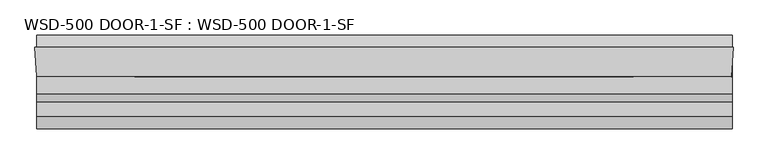
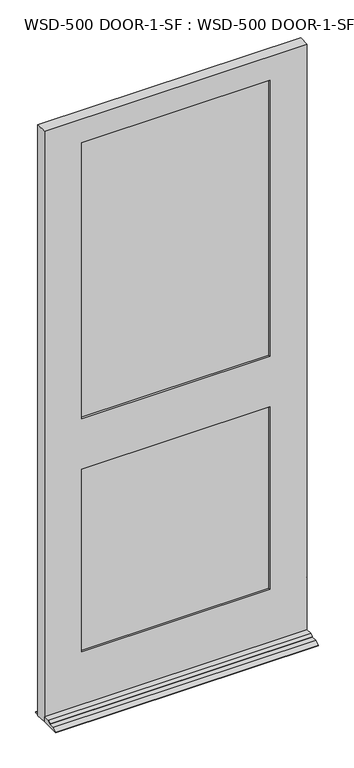
"""IFC4 building model written with IfcOpenShell, lengths in millimetres: plate geometry, WSD-500 DOOR-1-SF : WSD-500 DOOR-1-SF."""

import ifcopenshell
import ifcopenshell.guid

model = None  # the IFC model being written
_history = None  # IfcOwnerHistory: only IFC2X3 demands one
_inside = {}  # id of a spatial element -> (the spatial element, [elements in it])
_under = {}  # id of a project, library or spatial element -> (it, [spatial elements below it])
_declared = {}  # id of a project -> (the project, [libraries it declares])
_typed = {}  # id of a type object -> (the type object, [elements of that type])
_made_of = {}  # id of a material, layer set ... -> (it, [elements and type objects made of it])


def new_model(schema):
    """Start an empty IFC model of exactly this schema.

    Asked for "IFC4X3", IfcOpenShell would pick the latest addendum, in which some entities
    have other attributes; the version numbers below select the first issue.
    IFC2X3 requires an IfcOwnerHistory on every rooted entity: one is made here for all.
    """
    global model, _history
    if schema == "IFC4X3":
        model = ifcopenshell.file(schema_version=(4, 3, 0, 0))
    else:
        model = ifcopenshell.file(schema=schema)
    _inside.clear()
    _under.clear()
    _declared.clear()
    _typed.clear()
    _made_of.clear()
    _history = None
    if model.schema == "IFC2X3":
        org = make("IfcOrganization", Name="unknown")
        user = make(
            "IfcPersonAndOrganization",
            ThePerson=make("IfcPerson", FamilyName="unknown"),
            TheOrganization=org,
        )
        app = make(
            "IfcApplication",
            ApplicationDeveloper=org,
            Version="unknown",
            ApplicationFullName="unknown",
            ApplicationIdentifier="unknown",
        )
        _history = make(
            "IfcOwnerHistory",
            OwningUser=user,
            OwningApplication=app,
            ChangeAction="ADDED",
            CreationDate=0,
        )
    return model


def make(cls, **values):
    """One entity of the class cls with the attributes given. An attribute that is None is left unset."""
    return model.create_entity(
        cls, **{name: value for name, value in values.items() if value is not None}
    )


def rooted(cls, **values):
    """An entity with a GlobalId (a new one), such as an element, a storey or a relation."""
    return make(cls, GlobalId=ifcopenshell.guid.new(), OwnerHistory=_history, **values)


def si_unit(unit_type, name, prefix=None):
    """IfcSIUnit, for example si_unit("LENGTHUNIT", "METRE", prefix="MILLI")."""
    return make("IfcSIUnit", UnitType=unit_type, Prefix=prefix, Name=name)


def assignment(units):
    """IfcUnitAssignment: the units of a project."""
    return None if units is None else make("IfcUnitAssignment", Units=units)


def point(xyz):
    """IfcCartesianPoint."""
    return None if xyz is None else make("IfcCartesianPoint", Coordinates=xyz)


def direction(xyz):
    """IfcDirection."""
    return None if xyz is None else make("IfcDirection", DirectionRatios=xyz)


def frame(location, z_axis=None, x_axis=None):
    """IfcAxis2Placement3D, a coordinate frame: its origin and axes. An axis left out is left unset."""
    return make(
        "IfcAxis2Placement3D",
        Location=point(location),
        Axis=direction(z_axis),
        RefDirection=direction(x_axis),
    )


def origin():
    """The frame at (0, 0, 0) with its axes left unset."""
    return frame((0.0, 0.0, 0.0))


def place(relative_to, where):
    """IfcLocalPlacement: puts the frame where relative to a parent placement (None: the world)."""
    return make(
        "IfcLocalPlacement", PlacementRelTo=relative_to, RelativePlacement=where
    )


def context(
    kind, dimensions, precision=None, world=None, true_north=None, identifier=None
):
    """IfcGeometricRepresentationContext, for example the 3D "Model" context."""
    return make(
        "IfcGeometricRepresentationContext",
        ContextIdentifier=identifier,
        ContextType=kind,
        CoordinateSpaceDimension=dimensions,
        Precision=precision,
        WorldCoordinateSystem=world,
        TrueNorth=true_north,
    )


def project(units=None, contexts=None):
    """IfcProject with its units and contexts."""
    return rooted(
        "IfcProject",
        Name="project",
        RepresentationContexts=contexts,
        UnitsInContext=assignment(units),
    )


def spatial(cls, under=None, at=None, **own):
    """A site, building, storey or space (cls), placed at a placement, below another one or the project."""
    s = rooted(cls, ObjectPlacement=at, **own)
    if under is not None:
        _under.setdefault(under.id(), (under, []))[1].append(s)
    return s


def polyline(points):
    """IfcPolyline through the points."""
    return make("IfcPolyline", Points=[point(p) for p in points])


def outline(outer, holes=None, kind="AREA"):
    """IfcArbitraryClosedProfileDef: a profile drawn as a closed curve; with holes, ...WithVoids."""
    if holes is None:
        return make("IfcArbitraryClosedProfileDef", ProfileType=kind, OuterCurve=outer)
    return make(
        "IfcArbitraryProfileDefWithVoids",
        ProfileType=kind,
        OuterCurve=outer,
        InnerCurves=holes,
    )


def extrude(swept, where, along, depth):
    """IfcExtrudedAreaSolid: the profile swept, set in the frame where, extruded along a direction by depth."""
    return make(
        "IfcExtrudedAreaSolid",
        SweptArea=swept,
        Position=where,
        ExtrudedDirection=direction(along),
        Depth=depth,
    )


def faces_of(points, faces, orient=None, outer=None):
    """IfcFace entities. A face is a list of loops; a loop is a list of indices into points, from 0.

    orient and outer hold one flag for each loop. By default every Orientation is true, the
    first loop of a face is its IfcFaceOuterBound and the others are IfcFaceBound.
    """
    made = []
    for i, loops in enumerate(faces):
        bounds = []
        for j, loop in enumerate(loops):
            is_outer = j == 0 if outer is None else outer[i][j]
            bounds.append(
                make(
                    "IfcFaceOuterBound" if is_outer else "IfcFaceBound",
                    Bound=make("IfcPolyLoop", Polygon=[points[k] for k in loop]),
                    Orientation=True if orient is None else orient[i][j],
                )
            )
        made.append(make("IfcFace", Bounds=bounds))
    return made


def faceted_brep(points, faces, orient=None, outer=None, voids=None):
    """IfcFacetedBrep: a solid bounded by flat faces; with voids (closed shells), ...WithVoids."""
    shared = [point(p) for p in points]
    hull = make("IfcClosedShell", CfsFaces=faces_of(shared, faces, orient, outer))
    if voids is None:
        return make("IfcFacetedBrep", Outer=hull)
    return make(
        "IfcFacetedBrepWithVoids",
        Outer=hull,
        Voids=[
            make(cls, CfsFaces=faces_of(shared, fs, o, b)) for cls, fs, o, b in voids
        ],
    )


def shape(context_of_items, identifier, shape_type, items):
    """IfcShapeRepresentation: the items that make up one representation, for example the "Body"."""
    return make(
        "IfcShapeRepresentation",
        ContextOfItems=context_of_items,
        RepresentationIdentifier=identifier,
        RepresentationType=shape_type,
        Items=items,
    )


def source(mapping_origin, context_of_items, identifier, shape_type, items):
    """IfcRepresentationMap: a shape defined once, which mapped items show again and again."""
    return make(
        "IfcRepresentationMap",
        MappingOrigin=mapping_origin,
        MappedRepresentation=shape(context_of_items, identifier, shape_type, items),
    )


def transform(
    local_origin,
    x_axis=None,
    y_axis=None,
    z_axis=None,
    scale=None,
    scale2=None,
    scale3=None,
    uniform=True,
):
    """IfcCartesianTransformationOperator3D, or its non-uniform kind. x_axis, y_axis, z_axis: its Axis1, 2, 3."""
    if uniform:
        return make(
            "IfcCartesianTransformationOperator3D",
            Axis1=direction(x_axis),
            Axis2=direction(y_axis),
            LocalOrigin=point(local_origin),
            Scale=scale,
            Axis3=direction(z_axis),
        )
    return make(
        "IfcCartesianTransformationOperator3DnonUniform",
        Axis1=direction(x_axis),
        Axis2=direction(y_axis),
        LocalOrigin=point(local_origin),
        Scale=scale,
        Axis3=direction(z_axis),
        Scale2=scale2,
        Scale3=scale3,
    )


def mapped(mapping_source, mapping_target):
    """IfcMappedItem: shows the shape of a source again, moved by a transform."""
    return make(
        "IfcMappedItem", MappingSource=mapping_source, MappingTarget=mapping_target
    )


def made_of(thing, what):
    """Note that an element or type object is made of a material, layer set ...; save() writes the relation."""
    if what is not None:
        _made_of.setdefault(what.id(), (what, []))[1].append(thing)
    return thing


def element(
    cls,
    number,
    at=None,
    inside=None,
    cuts=None,
    type_object=None,
    material=None,
    context=None,
    identifier="Body",
    shape_type=None,
    held_by="IfcProductDefinitionShape",
    body=None,
    shapes=None,
    **own,
):
    """One element of the class cls, such as IfcWall. Its Tag is "e" and its number.

    at: its placement. inside: the storey or other place that contains it. cuts: it is an
    opening in that element (IfcRelVoidsElement). A single representation is given by context,
    identifier, shape_type and body (its items); several are given by shapes. held_by: the class
    of the entity that holds the representations. save() writes the other relations.
    """
    e = rooted(cls, Tag="e%d" % number, ObjectPlacement=at, **own)
    if body is not None:
        shapes = [shape(context, identifier, shape_type, body)]
    if shapes is not None:
        e.Representation = make(held_by, Representations=shapes)
    if inside is not None:
        _inside.setdefault(inside.id(), (inside, []))[1].append(e)
    if cuts is not None:
        rooted(
            "IfcRelVoidsElement", RelatingBuildingElement=cuts, RelatedOpeningElement=e
        )
    if type_object is not None:
        _typed.setdefault(type_object.id(), (type_object, []))[1].append(e)
    return made_of(e, material)


def aggregate(whole, parts):
    """IfcRelAggregates: a whole, such as a stair, and the parts it consists of."""
    return rooted("IfcRelAggregates", RelatingObject=whole, RelatedObjects=parts)


def save(model, path):
    """Write the relations noted so far, then the file.

    IfcRelAggregates (storeys below a building ...), IfcRelContainedInSpatialStructure (elements
    in a storey), IfcRelDefinesByType, IfcRelAssociatesMaterial and IfcRelDeclares: one each for
    every whole, place, type object, material and project.
    """
    for whole, parts in _under.values():
        aggregate(whole, parts)
    for where, things in _inside.values():
        rooted(
            "IfcRelContainedInSpatialStructure",
            RelatedElements=things,
            RelatingStructure=where,
        )
    for kind, things in _typed.values():
        rooted("IfcRelDefinesByType", RelatedObjects=things, RelatingType=kind)
    for what, things in _made_of.values():
        rooted("IfcRelAssociatesMaterial", RelatedObjects=things, RelatingMaterial=what)
    for by, libraries in _declared.values():
        rooted("IfcRelDeclares", RelatingContext=by, RelatedDefinitions=libraries)
    model.write(path)


def wsd_500_door_1_sf_wsd_500_door_1_sf_bed49536(model_context):
    return source(origin(), model_context, "Body", "SolidModel", [
        faceted_brep([(528.7563901, 1.8752528, 0.0), (530.1603327, 1.8752528, 0.0), (528.7563901, -20.6651106, 0.0), (528.7563901, -121.9497472, 0.0), (-533.8064, -121.9497472, 0.0), (-533.8064, -42.5747472, 0.0), (-536.575, 1.8752528, 0.0), (-533.8064, 1.8752528, 0.0), (-533.8064, 20.9252528, 0.0), (528.7563901, 20.9252528, 0.0), (528.7563901, -35.1325472, 226.2251), (528.7563901, -35.1325472, 246.0625), (528.7563901, -42.5747472, 246.0625), (528.7563901, -42.5747472, 21.4376), (528.7563901, -68.4446472, 21.4376), (528.7563901, -80.8652472, 14.2748), (528.7563901, -80.8652472, 12.7), (528.7563901, -102.8997472, 12.7), (528.7563901, -121.9497472, 3.175), (528.7563901, -20.6651106, 226.2251), (528.7563901, 20.9252528, 3.175), (528.7563901, 1.8752528, 12.7), (-533.8064, 1.8752528, 12.7), (-533.8064, 20.9252528, 3.175), (-533.8064, -121.9497472, 3.175), (-533.8064, -102.8997472, 12.7), (-533.8064, -80.8652472, 12.7), (-533.8064, -80.8652472, 14.2748), (-533.8064, -68.4446472, 21.4376), (-533.8064, -42.5747472, 21.4376), (530.1603327, 1.8752528, 2524.0418046), (-536.575, 1.8752528, 2524.0418046), (-384.175, 1.8752528, 1027.0998), (-384.175, 1.8752528, 246.0625), (377.7603327, 1.8752528, 246.0625), (377.7603327, 1.8752528, 1027.0998), (377.7603327, 1.8752528, 2422.4418046), (-384.175, 1.8752528, 2422.4418046), (-384.175, 1.8752528, 1242.9998), (377.7603327, 1.8752528, 1242.9998), (377.7603327, -9.7325472, 2422.4418046), (-384.175, -9.7325472, 2422.4418046), (397.5977327, -9.7325472, 1046.9499), (-404.0124, -9.7325472, 1046.9499), (-404.0124, -9.7325472, 226.2251), (397.5977327, -9.7325472, 226.2251), (-384.175, -9.7325472, 1027.0998), (377.7603327, -9.7325472, 1027.0998), (377.7603327, -9.7325472, 246.0625), (-384.175, -9.7325472, 246.0625), (397.5977327, -9.7325472, 2442.3624), (-404.0124, -9.7325472, 2442.3624), (-404.0124, -9.7325472, 1223.1624), (397.5977327, -9.7325472, 1223.1624), (377.7603327, -9.7325472, 1242.9998), (-384.175, -9.7325472, 1242.9998), (397.5977327, -35.1325472, 2442.3624), (-404.0124, -35.1325472, 2442.3624), (527.8552755, -35.1325472, 226.2251), (527.8552755, -35.1325472, 246.0625), (-404.0124, -35.1325472, 1046.9499), (397.5977327, -35.1325472, 1046.9499), (397.5977327, -35.1325472, 226.2251), (-404.0124, -35.1325472, 226.2251), (377.7603327, -35.1325472, 1027.0998), (-384.175, -35.1325472, 1027.0998), (-384.175, -35.1325472, 246.0625), (377.7603327, -35.1325472, 246.0625), (397.5977327, -35.1325472, 1223.1624), (-404.0124, -35.1325472, 1223.1624), (377.7603327, -35.1325472, 2422.4418046), (-384.175, -35.1325472, 2422.4418046), (-384.175, -35.1325472, 1242.9998), (377.7603327, -35.1325472, 1242.9998), (377.7603327, -42.5747472, 2422.4418046), (-384.175, -42.5747472, 2422.4418046), (527.3917327, -42.5747472, 2524.0418046), (-533.8064, -42.5747472, 2524.0418046), (527.3917327, -42.5747472, 246.0625), (377.7603327, -42.5747472, 1027.0998), (377.7603327, -42.5747472, 246.0625), (-384.175, -42.5747472, 246.0625), (-384.175, -42.5747472, 1027.0998), (377.7603327, -42.5747472, 1242.9998), (-384.175, -42.5747472, 1242.9998)], [[[0, 1, 2, 3, 4, 5, 6, 7, 8, 9]], [[10, 11, 12, 13, 14, 15, 16, 17, 18, 3, 2, 19]], [[9, 20, 21, 0]], [[22, 23, 8, 7]], [[4, 24, 25, 26, 27, 28, 29, 5]], [[30, 1, 0, 21, 22, 7, 6, 31], [32, 33, 34, 35], [36, 37, 38, 39]], [[36, 40, 41, 37]], [[42, 43, 44, 45], [46, 47, 48, 49]], [[50, 51, 52, 53], [41, 40, 54, 55]], [[50, 56, 57, 51]], [[11, 10, 58, 59]], [[60, 61, 62, 63], [64, 65, 66, 67]], [[57, 56, 68, 69], [70, 71, 72, 73]], [[70, 74, 75, 71]], [[76, 77, 29, 13, 12, 78], [79, 80, 81, 82], [75, 74, 83, 84]], [[76, 30, 31, 77]], [[56, 50, 53, 68]], [[62, 61, 42, 45]], [[74, 70, 73, 83]], [[79, 64, 67, 80]], [[30, 76, 78, 59, 58, 19, 2, 1]], [[40, 36, 39, 54]], [[47, 35, 34, 48]], [[29, 77, 31, 6, 5]], [[71, 75, 84, 72]], [[65, 82, 81, 66]], [[44, 43, 60, 63]], [[51, 57, 69, 52]], [[37, 41, 55, 38]], [[32, 46, 49, 33]], [[39, 38, 55, 54]], [[68, 53, 52, 69]], [[73, 72, 84, 83]], [[65, 64, 79, 82]], [[42, 61, 60, 43]], [[32, 35, 47, 46]], [[10, 19, 58]], [[63, 62, 45, 44]], [[12, 11, 59, 78]], [[67, 66, 81, 80]], [[14, 13, 29, 28]], [[15, 14, 28, 27]], [[16, 15, 27, 26]], [[17, 16, 26, 25]], [[18, 17, 25, 24]], [[3, 18, 24, 4]], [[20, 9, 8, 23]], [[22, 21, 20, 23]], [[34, 33, 49, 48]]]),
        extrude(outline(polyline([(-402.1162802, -9.7325472), (396.9838756, -9.7325472), (396.9838756, -14.8125472), (-402.1162802, -14.8125472), (-402.1162802, -9.7325472)])), frame((0.0, 0.0, 1223.1624), z_axis=(0.0, 0.0, 1.0), x_axis=(1.0, 0.0, 0.0)), (0.0, 0.0, 1.0), 1219.2),
        extrude(outline(polyline([(396.9838756, -24.2105472), (396.9838756, -29.2905472), (-402.1162802, -29.2905472), (-402.1162802, -24.2105472), (396.9838756, -24.2105472)])), frame((0.0, 0.0, 1223.1624), z_axis=(0.0, 0.0, 1.0), x_axis=(1.0, 0.0, 0.0)), (0.0, 0.0, 1.0), 1219.2),
        extrude(outline(polyline([(-402.1162802, -30.0525472), (396.9838756, -30.0525472), (396.9838756, -35.1325472), (-402.1162802, -35.1325472), (-402.1162802, -30.0525472)])), frame((0.0, 0.0, 1223.1624), z_axis=(0.0, 0.0, 1.0), x_axis=(1.0, 0.0, 0.0)), (0.0, 0.0, 1.0), 1219.2),
        extrude(outline(polyline([(-404.0124, -9.7325472), (397.5977327, -9.7325472), (397.5977327, -14.8125472), (-404.0124, -14.8125472), (-404.0124, -9.7325472)])), frame((0.0, 0.0, 226.21875), z_axis=(0.0, 0.0, 1.0), x_axis=(1.0, 0.0, 0.0)), (0.0, 0.0, 1.0), 820.73115),
        extrude(outline(polyline([(397.5977327, -24.2105472), (397.5977327, -29.2905472), (-404.0124, -29.2905472), (-404.0124, -24.2105472), (397.5977327, -24.2105472)])), frame((0.0, 0.0, 226.21875), z_axis=(0.0, 0.0, 1.0), x_axis=(1.0, 0.0, 0.0)), (0.0, 0.0, 1.0), 820.73115),
        extrude(outline(polyline([(-404.0124, -30.0525472), (397.5977327, -30.0525472), (397.5977327, -35.1325472), (-404.0124, -35.1325472), (-404.0124, -30.0525472)])), frame((0.0, 0.0, 226.21875), z_axis=(0.0, 0.0, 1.0), x_axis=(1.0, 0.0, 0.0)), (0.0, 0.0, 1.0), 820.73115),
    ])


if __name__ == "__main__":
    model = new_model("IFC4")
    model_context = context("Model", 3, world=origin())
    ifc_project = project(units=[si_unit("LENGTHUNIT", "METRE", prefix="MILLI")], contexts=[model_context])
    site = spatial("IfcSite", under=ifc_project)
    building = spatial("IfcBuilding", under=site)
    placement = place(None, origin())
    wsd_500_door_1_sf_wsd_500_door_1_sf_shape = wsd_500_door_1_sf_wsd_500_door_1_sf_bed49536(model_context)
    element("IfcPlate", 1, ObjectType="WSD-500 DOOR-1-SF : WSD-500 DOOR-1-SF", at=placement, inside=building, context=model_context, shape_type="MappedRepresentation", body=[
        mapped(wsd_500_door_1_sf_wsd_500_door_1_sf_shape, transform((0.0, 0.0, 0.0), x_axis=(1.0, 0.0, 0.0), y_axis=(0.0, 1.0, 0.0), z_axis=(0.0, 0.0, 1.0))),
    ])
    save(model, "model.ifc")
